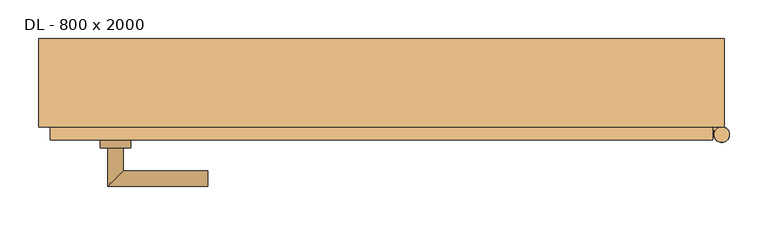
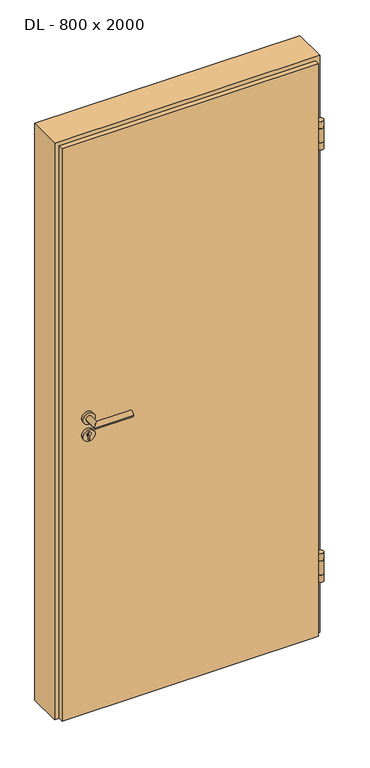
"""IFC4 building model written with IfcOpenShell, lengths in millimetres: door geometry, DL - 800 x 2000."""

from ifc_helpers import new_model, si_unit, point, frame, frame_2d, origin, place, context, project, spatial, polyline, circle_curve, ellipse_curve, trimmed, segment, composite_curve, outline, extrude, faceted_brep, source, transform, mapped, element, save
from ifc_brep_helpers import plane_surface, cylinder_surface, advanced_brep


def dl_800_x_2000_c3ee30e3(model_context):
    return source(origin(), model_context, "Body", "SolidModel", [
        faceted_brep([(430.0, -74.5, 0.0), (-430.0, -74.5, 0.0), (-430.0, -57.5, 0.0), (-415.0, -57.5, 0.0), (-415.0, -29.5, 0.0), (415.0, -29.5, 0.0), (415.0, -57.5, 0.0), (430.0, -57.5, 0.0), (430.0, -74.5, 2030.0), (-430.0, -74.5, 2030.0), (-430.0, -57.5, 2030.0), (-415.0, -57.5, 2015.0), (430.0, -57.5, 2030.0), (415.0, -57.5, 2015.0), (-415.0, -29.5, 2015.0), (415.0, -29.5, 2015.0)], [[[0, 1, 2, 3, 4, 5, 6, 7]], [[8, 9, 1, 0]], [[1, 9, 10, 2]], [[11, 3, 2, 10, 12, 7, 6, 13]], [[3, 11, 14, 4]], [[5, 4, 14, 15]], [[13, 6, 5, 15]], [[8, 0, 7, 12]], [[9, 8, 12, 10]], [[11, 13, 15, 14]]]),
        extrude(outline(composite_curve([segment(trimmed(circle_curve(frame_2d((442.0, -67.5)), 10.0), [point((432.0, -67.5))], [point((452.0, -67.5))], False, "CARTESIAN"), True, "CONTINUOUS"), segment(trimmed(circle_curve(frame_2d((442.0, -67.5)), 10.0), [point((452.0, -67.5))], [point((432.0, -67.5))], False, "CARTESIAN"), True, "CONTINUOUS")], self_intersect=False)), frame((0.0, 0.0, 1799.0), z_axis=(0.0, 0.0, 1.0), x_axis=(1.0, 0.0, 0.0)), (0.0, 0.0, 1.0), 25.0),
        extrude(outline(composite_curve([segment(trimmed(circle_curve(frame_2d((442.0, -67.5)), 10.0), [point((442.0, -57.5))], [point((433.339746, -62.5))], False, "CARTESIAN"), True, "CONTINUOUS"), segment(polyline([(433.339746, -62.5), (430.0, -62.5), (430.0, -57.5), (442.0, -57.5)]), True, "CONTINUOUS")], self_intersect=False)), frame((0.0, 0.0, 1749.0), z_axis=(0.0, 0.0, 1.0), x_axis=(1.0, 0.0, 0.0)), (0.0, 0.0, 1.0), 50.0),
        extrude(outline(composite_curve([segment(trimmed(circle_curve(frame_2d((442.0, -67.5)), 10.0), [point((432.0, -67.5))], [point((452.0, -67.5))], False, "CARTESIAN"), True, "CONTINUOUS"), segment(trimmed(circle_curve(frame_2d((442.0, -67.5)), 10.0), [point((452.0, -67.5))], [point((432.0, -67.5))], False, "CARTESIAN"), True, "CONTINUOUS")], self_intersect=False)), frame((0.0, 0.0, 1724.0), z_axis=(0.0, 0.0, 1.0), x_axis=(1.0, 0.0, 0.0)), (0.0, 0.0, 1.0), 25.0),
        extrude(outline(composite_curve([segment(trimmed(circle_curve(frame_2d((442.0, -67.5)), 10.0), [point((432.0, -67.5))], [point((452.0, -67.5))], False, "CARTESIAN"), True, "CONTINUOUS"), segment(trimmed(circle_curve(frame_2d((442.0, -67.5)), 10.0), [point((452.0, -67.5))], [point((432.0, -67.5))], False, "CARTESIAN"), True, "CONTINUOUS")], self_intersect=False)), frame((0.0, 0.0, 266.0), z_axis=(0.0, 0.0, 1.0), x_axis=(1.0, 0.0, 0.0)), (0.0, 0.0, 1.0), 25.0),
        extrude(outline(composite_curve([segment(trimmed(circle_curve(frame_2d((442.0, -67.5)), 10.0), [point((442.0, -57.5))], [point((433.339746, -62.5))], False, "CARTESIAN"), True, "CONTINUOUS"), segment(polyline([(433.339746, -62.5), (430.0, -62.5), (430.0, -57.5), (442.0, -57.5)]), True, "CONTINUOUS")], self_intersect=False)), frame((0.0, 0.0, 216.0), z_axis=(0.0, 0.0, 1.0), x_axis=(1.0, 0.0, 0.0)), (0.0, 0.0, 1.0), 50.0),
        extrude(outline(composite_curve([segment(trimmed(circle_curve(frame_2d((442.0, -67.5)), 10.0), [point((432.0, -67.5))], [point((452.0, -67.5))], False, "CARTESIAN"), True, "CONTINUOUS"), segment(trimmed(circle_curve(frame_2d((442.0, -67.5)), 10.0), [point((452.0, -67.5))], [point((432.0, -67.5))], False, "CARTESIAN"), True, "CONTINUOUS")], self_intersect=False)), frame((0.0, 0.0, 191.0), z_axis=(0.0, 0.0, 1.0), x_axis=(1.0, 0.0, 0.0)), (0.0, 0.0, 1.0), 25.0),
        advanced_brep(
        [(-335.0, -84.5, 1050.0), (-355.0, -84.5, 1050.0), (-355.0, -134.5, 1050.0), (-335.0, -114.5, 1050.0), (-225.0, -114.5, 1050.0), (-225.0, -134.5, 1050.0)],
        [
            (0, 1, circle_curve(frame((-345.0, -84.5, 1050.0), z_axis=(0.0, 1.0, 0.0), x_axis=(-1.0, 0.0, 0.0)), 10.0)),
            (1, 0, circle_curve(frame((-345.0, -84.5, 1050.0), z_axis=(0.0, 1.0, 0.0), x_axis=(-1.0, 0.0, 0.0)), 10.0)),
            (1, 2),
            (2, 3, ellipse_curve(frame((-345.0, -124.5, 1050.0), z_axis=(-0.7071067811865531, 0.7071067811865419, 0.0), x_axis=(0.707106781186542, 0.707106781186553, 0.0)), 14.1421356, 10.0)),
            (3, 0),
            (3, 2, ellipse_curve(frame((-345.0, -124.5, 1050.0), z_axis=(-0.7071067811865531, 0.7071067811865419, 0.0), x_axis=(0.707106781186542, 0.707106781186553, 0.0)), 14.1421356, 10.0)),
            (4, 5, circle_curve(frame((-225.0, -124.5, 1050.0), z_axis=(1.0, 0.0, 0.0), x_axis=(0.0, -1.0, 0.0)), 10.0)),
            (5, 4, circle_curve(frame((-225.0, -124.5, 1050.0), z_axis=(1.0, 0.0, 0.0), x_axis=(0.0, -1.0, 0.0)), 10.0)),
            (2, 5),
            (4, 3),
        ],
        [
            plane_surface(frame((-345.0, -84.5, 1050.0), z_axis=(0.0, 1.0, 0.0), x_axis=(0.0, 0.0, 1.0))),
            cylinder_surface(frame((-345.0, -84.5, 1050.0), z_axis=(0.0, 1.0, 0.0), x_axis=(-1.0, 0.0, 0.0)), 10.0),
            plane_surface(frame((-225.0, -124.5, 1050.0), z_axis=(1.0, 0.0, 0.0), x_axis=(0.0, 0.0, 1.0))),
            cylinder_surface(frame((-345.0, -124.5, 1050.0), z_axis=(-1.0, 0.0, 0.0), x_axis=(0.0, -1.0, 0.0)), 10.0),
        ],
        [
            (0, [[1, 2]]),
            (1, [[3, 4, 5, -2]]),
            (1, [[-5, 6, -3, -1]]),
            (2, [[7, 8]]),
            (3, [[9, -7, 10, -4]]),
            (3, [[-10, -8, -9, -6]]),
        ],
    ),
        extrude(outline(composite_curve([segment(trimmed(circle_curve(frame_2d((990.0, -345.0)), 20.0), [point((990.0, -365.0))], [point((990.0, -325.0))], False, "CARTESIAN"), True, "CONTINUOUS"), segment(trimmed(circle_curve(frame_2d((990.0, -345.0)), 20.0), [point((990.0, -325.0))], [point((990.0, -365.0))], False, "CARTESIAN"), True, "CONTINUOUS")], self_intersect=False), holes=[composite_curve([segment(polyline([(976.4601385, -347.397268), (988.4749012, -347.397268)]), True, "CONTINUOUS"), segment(trimmed(circle_curve(frame_2d((995.0361633, -345.0)), 6.9854888), [point((988.4749012, -347.397268))], [point((988.4749012, -342.602732))], True, "CARTESIAN"), True, "CONTINUOUS"), segment(polyline([(988.4749012, -342.602732), (976.4601385, -342.602732)]), True, "CONTINUOUS"), segment(trimmed(circle_curve(frame_2d((976.4601385, -345.0)), 2.397268), [point((976.4601385, -342.602732))], [point((976.4601385, -347.397268))], True, "CARTESIAN"), True, "CONTINUOUS")], self_intersect=False)]), frame((0.0, -84.5, 0.0), z_axis=(0.0, 1.0, 0.0), x_axis=(0.0, 0.0, 1.0)), (0.0, 0.0, 1.0), 10.0),
        advanced_brep(
        [(-335.0, -84.5, 1050.0), (-355.0, -84.5, 1050.0), (-355.0, -134.5, 1050.0), (-335.0, -114.5, 1050.0), (-225.0, -114.5, 1050.0), (-225.0, -134.5, 1050.0)],
        [
            (0, 1, circle_curve(frame((-345.0, -84.5, 1050.0), z_axis=(0.0, 1.0, 0.0), x_axis=(-1.0, 0.0, 0.0)), 10.0)),
            (1, 0, circle_curve(frame((-345.0, -84.5, 1050.0), z_axis=(0.0, 1.0, 0.0), x_axis=(-1.0, 0.0, 0.0)), 10.0)),
            (1, 2),
            (2, 3, ellipse_curve(frame((-345.0, -124.5, 1050.0), z_axis=(-0.7071067811865537, 0.7071067811865414, 0.0), x_axis=(0.7071067811865414, 0.7071067811865536, 0.0)), 14.1421356, 10.0)),
            (3, 0),
            (3, 2, ellipse_curve(frame((-345.0, -124.5, 1050.0), z_axis=(-0.7071067811865537, 0.7071067811865414, 0.0), x_axis=(0.7071067811865414, 0.7071067811865536, 0.0)), 14.1421356, 10.0)),
            (4, 5, circle_curve(frame((-225.0, -124.5, 1050.0), z_axis=(1.0, 0.0, 0.0), x_axis=(0.0, -1.0, 0.0)), 10.0)),
            (5, 4, circle_curve(frame((-225.0, -124.5, 1050.0), z_axis=(1.0, 0.0, 0.0), x_axis=(0.0, -1.0, 0.0)), 10.0)),
            (2, 5),
            (4, 3),
        ],
        [
            plane_surface(frame((-345.0, -84.5, 1050.0), z_axis=(0.0, 1.0, 0.0), x_axis=(0.0, 0.0, 1.0))),
            cylinder_surface(frame((-345.0, -84.5, 1050.0), z_axis=(0.0, 1.0, 0.0), x_axis=(-1.0, 0.0, 0.0)), 10.0),
            plane_surface(frame((-225.0, -124.5, 1050.0), z_axis=(1.0, 0.0, 0.0), x_axis=(0.0, 0.0, 1.0))),
            cylinder_surface(frame((-345.0, -124.5, 1050.0), z_axis=(-1.0, 0.0, 0.0), x_axis=(0.0, -1.0, 0.0)), 10.0),
        ],
        [
            (0, [[1, 2]]),
            (1, [[3, 4, 5, -2]]),
            (1, [[-5, 6, -3, -1]]),
            (2, [[7, 8]]),
            (3, [[9, -7, 10, -4]]),
            (3, [[-10, -8, -9, -6]]),
        ],
    ),
        extrude(outline(composite_curve([segment(trimmed(circle_curve(frame_2d((1050.0, -345.0)), 20.0), [point((1050.0, -365.0))], [point((1050.0, -325.0))], False, "CARTESIAN"), True, "CONTINUOUS"), segment(trimmed(circle_curve(frame_2d((1050.0, -345.0)), 20.0), [point((1050.0, -325.0))], [point((1050.0, -365.0))], False, "CARTESIAN"), True, "CONTINUOUS")], self_intersect=False)), frame((0.0, -84.5, 0.0), z_axis=(0.0, 1.0, 0.0), x_axis=(0.0, 0.0, 1.0)), (0.0, 0.0, 1.0), 10.0),
        advanced_brep(
        [(-335.0, -19.5, 1050.0), (-355.0, -19.5, 1050.0), (-335.0, 10.5, 1050.0), (-355.0, 30.5, 1050.0), (-225.0, 10.5, 1050.0), (-225.0, 30.5, 1050.0)],
        [
            (0, 1, circle_curve(frame((-345.0, -19.5, 1050.0), z_axis=(0.0, -1.0, 0.0), x_axis=(-1.0, 0.0, 0.0)), 10.0)),
            (1, 0, circle_curve(frame((-345.0, -19.5, 1050.0), z_axis=(0.0, -1.0, 0.0), x_axis=(-1.0, 0.0, 0.0)), 10.0)),
            (0, 2),
            (2, 3, ellipse_curve(frame((-345.0, 20.5, 1050.0), z_axis=(-0.7071067811865486, -0.7071067811865464, 0.0), x_axis=(0.7071067811865464, -0.7071067811865488, 0.0)), 14.1421356, 10.0)),
            (3, 1),
            (3, 2, ellipse_curve(frame((-345.0, 20.5, 1050.0), z_axis=(-0.7071067811865486, -0.7071067811865464, 0.0), x_axis=(0.7071067811865464, -0.7071067811865488, 0.0)), 14.1421356, 10.0)),
            (4, 5, circle_curve(frame((-225.0, 20.5, 1050.0), z_axis=(1.0, 0.0, 0.0), x_axis=(0.0, 1.0, 0.0)), 10.0)),
            (5, 4, circle_curve(frame((-225.0, 20.5, 1050.0), z_axis=(1.0, 0.0, 0.0), x_axis=(0.0, 1.0, 0.0)), 10.0)),
            (2, 4),
            (5, 3),
        ],
        [
            plane_surface(frame((-345.0, -19.5, 1050.0), z_axis=(0.0, -1.0, 0.0), x_axis=(0.0, 0.0, 1.0))),
            cylinder_surface(frame((-345.0, -19.5, 1050.0), z_axis=(0.0, -1.0, 0.0), x_axis=(-1.0, 0.0, 0.0)), 10.0),
            plane_surface(frame((-225.0, 20.5, 1050.0), z_axis=(1.0, 0.0, 0.0), x_axis=(0.0, 0.0, 1.0))),
            cylinder_surface(frame((-345.0, 20.5, 1050.0), z_axis=(-1.0, 0.0, 0.0), x_axis=(0.0, 1.0, 0.0)), 10.0),
        ],
        [
            (0, [[1, 2]]),
            (1, [[-1, 3, 4, 5]]),
            (1, [[-2, -5, 6, -3]]),
            (2, [[7, 8]]),
            (3, [[-4, 9, -8, 10]]),
            (3, [[-6, -10, -7, -9]]),
        ],
    ),
        extrude(outline(composite_curve([segment(trimmed(circle_curve(frame_2d((990.0, -345.0)), 20.0), [point((990.0, -365.0))], [point((990.0, -325.0))], False, "CARTESIAN"), True, "CONTINUOUS"), segment(trimmed(circle_curve(frame_2d((990.0, -345.0)), 20.0), [point((990.0, -325.0))], [point((990.0, -365.0))], False, "CARTESIAN"), True, "CONTINUOUS")], self_intersect=False), holes=[composite_curve([segment(polyline([(976.4601385, -347.397268), (988.4749012, -347.397268)]), True, "CONTINUOUS"), segment(trimmed(circle_curve(frame_2d((995.0361633, -345.0)), 6.9854888), [point((988.4749012, -347.397268))], [point((988.4749012, -342.602732))], True, "CARTESIAN"), True, "CONTINUOUS"), segment(polyline([(988.4749012, -342.602732), (976.4601385, -342.602732)]), True, "CONTINUOUS"), segment(trimmed(circle_curve(frame_2d((976.4601385, -345.0)), 2.397268), [point((976.4601385, -342.602732))], [point((976.4601385, -347.397268))], True, "CARTESIAN"), True, "CONTINUOUS")], self_intersect=False)]), frame((0.0, -29.5, 0.0), z_axis=(0.0, 1.0, 0.0), x_axis=(0.0, 0.0, 1.0)), (0.0, 0.0, 1.0), 10.0),
        advanced_brep(
        [(-335.0, -19.5, 1050.0), (-355.0, -19.5, 1050.0), (-335.0, 10.5, 1050.0), (-355.0, 30.5, 1050.0), (-225.0, 10.5, 1050.0), (-225.0, 30.5, 1050.0)],
        [
            (0, 1, circle_curve(frame((-345.0, -19.5, 1050.0), z_axis=(0.0, -1.0, 0.0), x_axis=(-1.0, 0.0, 0.0)), 10.0)),
            (1, 0, circle_curve(frame((-345.0, -19.5, 1050.0), z_axis=(0.0, -1.0, 0.0), x_axis=(-1.0, 0.0, 0.0)), 10.0)),
            (0, 2),
            (2, 3, ellipse_curve(frame((-345.0, 20.5, 1050.0), z_axis=(-0.7071067811865491, -0.7071067811865459, 0.0), x_axis=(0.7071067811865458, -0.7071067811865492, 0.0)), 14.1421356, 10.0)),
            (3, 1),
            (3, 2, ellipse_curve(frame((-345.0, 20.5, 1050.0), z_axis=(-0.7071067811865491, -0.7071067811865459, 0.0), x_axis=(0.7071067811865458, -0.7071067811865492, 0.0)), 14.1421356, 10.0)),
            (4, 5, circle_curve(frame((-225.0, 20.5, 1050.0), z_axis=(1.0, 0.0, 0.0), x_axis=(0.0, 1.0, 0.0)), 10.0)),
            (5, 4, circle_curve(frame((-225.0, 20.5, 1050.0), z_axis=(1.0, 0.0, 0.0), x_axis=(0.0, 1.0, 0.0)), 10.0)),
            (2, 4),
            (5, 3),
        ],
        [
            plane_surface(frame((-345.0, -19.5, 1050.0), z_axis=(0.0, -1.0, 0.0), x_axis=(0.0, 0.0, 1.0))),
            cylinder_surface(frame((-345.0, -19.5, 1050.0), z_axis=(0.0, -1.0, 0.0), x_axis=(-1.0, 0.0, 0.0)), 10.0),
            plane_surface(frame((-225.0, 20.5, 1050.0), z_axis=(1.0, 0.0, 0.0), x_axis=(0.0, 0.0, 1.0))),
            cylinder_surface(frame((-345.0, 20.5, 1050.0), z_axis=(-1.0, 0.0, 0.0), x_axis=(0.0, 1.0, 0.0)), 10.0),
        ],
        [
            (0, [[1, 2]]),
            (1, [[-1, 3, 4, 5]]),
            (1, [[-2, -5, 6, -3]]),
            (2, [[7, 8]]),
            (3, [[-4, 9, -8, 10]]),
            (3, [[-6, -10, -7, -9]]),
        ],
    ),
        extrude(outline(composite_curve([segment(trimmed(circle_curve(frame_2d((1050.0, -345.0)), 20.0), [point((1050.0, -365.0))], [point((1050.0, -325.0))], False, "CARTESIAN"), True, "CONTINUOUS"), segment(trimmed(circle_curve(frame_2d((1050.0, -345.0)), 20.0), [point((1050.0, -325.0))], [point((1050.0, -365.0))], False, "CARTESIAN"), True, "CONTINUOUS")], self_intersect=False)), frame((0.0, -29.5, 0.0), z_axis=(0.0, 1.0, 0.0), x_axis=(0.0, 0.0, 1.0)), (0.0, 0.0, 1.0), 10.0),
        faceted_brep([(-415.0, -57.5, 0.0), (-445.0, -57.5, 0.0), (-445.0, 57.5, 0.0), (-400.0, 57.5, 0.0), (-400.0, -29.5, 0.0), (-415.0, -29.5, 0.0), (-415.0, -29.5, 2015.0), (-415.0, -57.5, 2015.0), (-400.0, -29.5, 2000.0), (400.0, -29.5, 2000.0), (400.0, -29.5, 0.0), (415.0, -29.5, 0.0), (415.0, -29.5, 2015.0), (-400.0, 57.5, 2000.0), (-445.0, 57.5, 2045.0), (445.0, 57.5, 2045.0), (445.0, 57.5, 0.0), (400.0, 57.5, 0.0), (400.0, 57.5, 2000.0), (-445.0, -57.5, 2045.0), (415.0, -57.5, 2015.0), (415.0, -57.5, 0.0), (445.0, -57.5, 0.0), (445.0, -57.5, 2045.0)], [[[0, 1, 2, 3, 4, 5]], [[5, 6, 7, 0]], [[4, 8, 9, 10, 11, 12, 6, 5]], [[3, 13, 8, 4]], [[2, 14, 15, 16, 17, 18, 13, 3]], [[1, 19, 14, 2]], [[0, 7, 20, 21, 22, 23, 19, 1]], [[23, 22, 16, 15]], [[21, 11, 10, 17, 16, 22]], [[12, 11, 21, 20]], [[18, 17, 10, 9]], [[19, 23, 15, 14]], [[13, 18, 9, 8]], [[6, 12, 20, 7]]]),
    ])


if __name__ == "__main__":
    model = new_model("IFC4")
    model_context = context("Model", 3, world=origin())
    ifc_project = project(units=[si_unit("LENGTHUNIT", "METRE", prefix="MILLI")], contexts=[model_context])
    site = spatial("IfcSite", under=ifc_project)
    building = spatial("IfcBuilding", under=site)
    placement = place(None, origin())
    dl_800_x_2000_shape = dl_800_x_2000_c3ee30e3(model_context)
    element("IfcDoor", 1, ObjectType="DL - 800 x 2000", at=placement, inside=building, context=model_context, shape_type="MappedRepresentation", body=[
        mapped(dl_800_x_2000_shape, transform((0.0, 0.0, 0.0), x_axis=(1.0, 0.0, 0.0), y_axis=(0.0, 1.0, 0.0), z_axis=(0.0, 0.0, 1.0))),
    ])
    save(model, "model.ifc")
